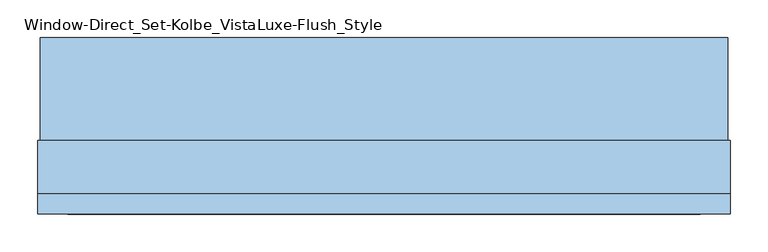
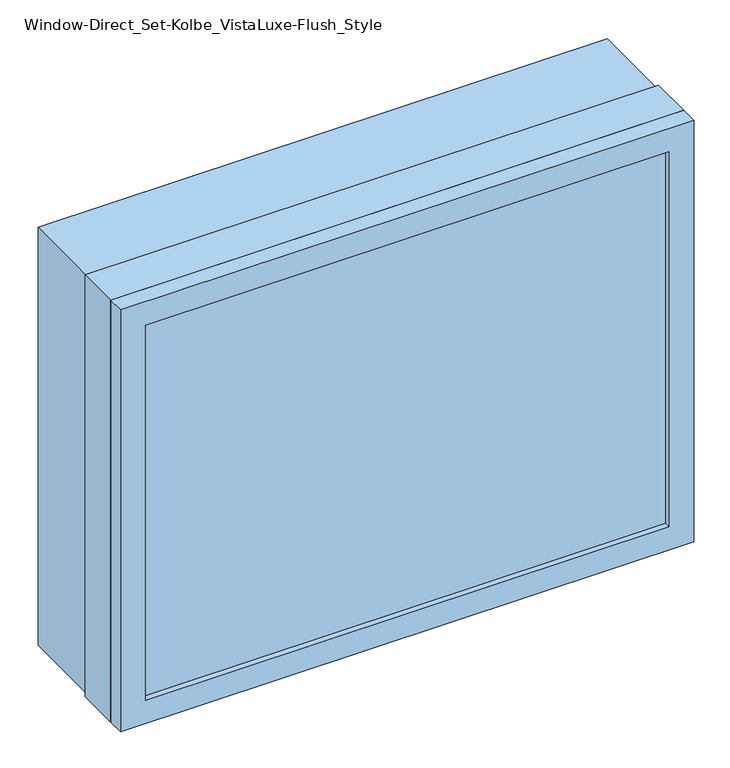
"""IFC4 building model written with IfcOpenShell, lengths in millimetres: window geometry, Window-Direct_Set-Kolbe_VistaLuxe-Flush_Style."""

from ifc_helpers import new_model, si_unit, frame, origin, place, context, project, spatial, polyline, outline, extrude, faceted_brep, source, transform, mapped, element, save


def window_direct_set_kolbe_vistaluxe_flush_style_fb1cddd7(model_context):
    return source(origin(), model_context, "Body", "SolidModel", [
        extrude(outline(polyline([(1622.425, 447.8496242), (1622.425, -460.2003758), (917.575, -460.2003758), (917.575, 447.8496242), (1622.425, 447.8496242)]), holes=[polyline([(936.625, 428.7996242), (936.625, -441.1503758), (1603.375, -441.1503758), (1603.375, 428.7996242), (936.625, 428.7996242)])]), frame((0.0, -32.5247, 0.0), z_axis=(0.0, 1.0, 0.0), x_axis=(0.0, 0.0, 1.0)), (0.0, 0.0, 1.0), 135.7122),
        extrude(outline(polyline([(936.625, 428.7996242), (1603.375, 428.7996242), (1603.375, -441.1503758), (936.625, -441.1503758), (936.625, 428.7996242)]), holes=[polyline([(954.0875, -423.6878758), (1585.9125, -423.6878758), (1585.9125, 411.3371242), (954.0875, 411.3371242), (954.0875, -423.6878758)])]), frame((0.0, -99.15525, 0.0), z_axis=(0.0, 1.0, 0.0), x_axis=(0.0, 0.0, 1.0)), (0.0, 0.0, 1.0), 69.8246),
        faceted_brep([(451.0246242, -130.1115, 1625.6), (451.0246242, -103.1875, 1625.6), (-463.3753758, -103.1875, 1625.6), (-463.3753758, -130.1115, 1625.6), (411.3373659, -121.38025, 1585.9127418), (411.3373659, -130.1115, 1585.9127418), (-423.6881176, -130.1115, 1585.9127418), (-423.6881176, -121.38025, 1585.9127418), (428.7996242, -103.1875, 1603.375), (428.7996242, -121.38025, 1603.375), (-441.1503758, -121.38025, 1603.375), (-441.1503758, -103.1875, 1603.375), (-463.3753758, -103.1875, 914.4), (-463.3753758, -130.1115, 914.4), (-423.6881176, -130.1115, 954.0872582), (-423.6881176, -121.38025, 954.0872582), (-441.1503758, -121.38025, 936.625), (-441.1503758, -103.1875, 936.625), (451.0246242, -103.1875, 914.4), (451.0246242, -130.1115, 914.4), (411.3373659, -130.1115, 954.0872582), (411.3373659, -121.38025, 954.0872582), (428.7996242, -121.38025, 936.625), (428.7996242, -103.1875, 936.625)], [[[0, 1, 2, 3]], [[4, 5, 6, 7]], [[8, 9, 10, 11]], [[3, 2, 12, 13]], [[7, 6, 14, 15]], [[11, 10, 16, 17]], [[13, 12, 18, 19]], [[15, 14, 20, 21]], [[17, 16, 22, 23]], [[19, 18, 1, 0]], [[3, 13, 19, 0], [5, 20, 14, 6]], [[21, 20, 5, 4]], [[9, 22, 16, 10], [7, 15, 21, 4]], [[23, 22, 9, 8]], [[1, 18, 12, 2], [11, 17, 23, 8]]]),
        extrude(outline(polyline([(914.4, 451.0246242), (1625.6, 451.0246242), (1625.6, -463.3753758), (914.4, -463.3753758), (914.4, 451.0246242)]), holes=[polyline([(936.625, -441.1503758), (1603.375, -441.1503758), (1603.375, 428.7996242), (936.625, 428.7996242), (936.625, -441.1503758)])]), frame((0.0, -103.1875, 0.0), z_axis=(0.0, 1.0, 0.0), x_axis=(0.0, 0.0, 1.0)), (0.0, 0.0, 1.0), 70.6628),
        extrude(outline(polyline([(426.4183742, -102.33025), (-438.7691258, -102.33025), (-438.7691258, -99.15525), (426.4183742, -99.15525), (426.4183742, -102.33025)])), frame((0.0, 0.0, 946.15), z_axis=(0.0, 0.0, 1.0), x_axis=(1.0, 0.0, 0.0)), (0.0, 0.0, 1.0), 647.7),
        extrude(outline(polyline([(426.4183742, -118.20525), (426.4183742, -121.38025), (-438.7691258, -121.38025), (-438.7691258, -118.20525), (426.4183742, -118.20525)])), frame((0.0, 0.0, 946.15), z_axis=(0.0, 0.0, 1.0), x_axis=(1.0, 0.0, 0.0)), (0.0, 0.0, 1.0), 647.7),
    ])


if __name__ == "__main__":
    model = new_model("IFC4")
    model_context = context("Model", 3, world=origin())
    ifc_project = project(units=[si_unit("LENGTHUNIT", "METRE", prefix="MILLI")], contexts=[model_context])
    site = spatial("IfcSite", under=ifc_project)
    building = spatial("IfcBuilding", under=site)
    placement = place(None, origin())
    window_direct_set_kolbe_vistaluxe_flush_style_shape = window_direct_set_kolbe_vistaluxe_flush_style_fb1cddd7(model_context)
    element("IfcWindow", 1, ObjectType="Window-Direct_Set-Kolbe_VistaLuxe-Flush_Style", at=placement, inside=building, context=model_context, shape_type="MappedRepresentation", body=[
        mapped(window_direct_set_kolbe_vistaluxe_flush_style_shape, transform((0.0, 0.0, 0.0), x_axis=(1.0, 0.0, 0.0), y_axis=(0.0, 1.0, 0.0), z_axis=(0.0, 0.0, 1.0))),
    ])
    save(model, "model.ifc")
